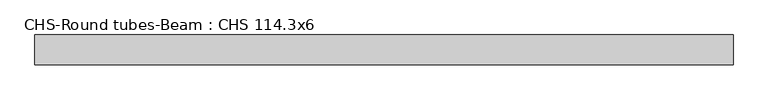
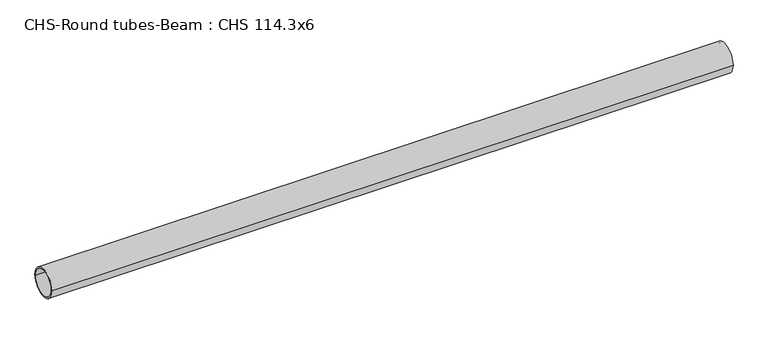
"""IFC4 building model written with IfcOpenShell, lengths in millimetres: beam geometry, CHS-Round tubes-Beam : CHS 114.3x6."""

from ifc_helpers import new_model, si_unit, point, frame, origin, origin_2d, place, context, project, spatial, circle_curve, trimmed, segment, composite_curve, outline, extrude, source, transform, mapped, element, save


def chs_round_tubes_beam_chs_114_3x6_27a4338d(model_context):
    return source(origin(), model_context, "Body", "SweptSolid", [
        extrude(outline(composite_curve([segment(trimmed(circle_curve(origin_2d(), 57.15), [point((57.15, 0.0))], [point((-57.15, 0.0))], False, "CARTESIAN"), True, "CONTINUOUS"), segment(trimmed(circle_curve(origin_2d(), 57.15), [point((-57.15, 0.0))], [point((57.15, 0.0))], False, "CARTESIAN"), True, "CONTINUOUS")], self_intersect=False), holes=[composite_curve([segment(trimmed(circle_curve(origin_2d(), 51.15), [point((51.15, 0.0))], [point((-51.15, 0.0))], True, "CARTESIAN"), True, "CONTINUOUS"), segment(trimmed(circle_curve(origin_2d(), 51.15), [point((-51.15, 0.0))], [point((51.15, 0.0))], True, "CARTESIAN"), True, "CONTINUOUS")], self_intersect=False)]), frame((-1328.9492178, 0.0, 0.0), z_axis=(1.0, 0.0, 0.0), x_axis=(0.0, 1.0, 0.0)), (0.0, 0.0, 1.0), 2683.7022243),
    ])


if __name__ == "__main__":
    model = new_model("IFC4")
    model_context = context("Model", 3, world=origin())
    ifc_project = project(units=[si_unit("LENGTHUNIT", "METRE", prefix="MILLI")], contexts=[model_context])
    site = spatial("IfcSite", under=ifc_project)
    building = spatial("IfcBuilding", under=site)
    placement = place(None, origin())
    chs_round_tubes_beam_chs_114_3x6_shape = chs_round_tubes_beam_chs_114_3x6_27a4338d(model_context)
    element("IfcBeam", 1, ObjectType="CHS-Round tubes-Beam : CHS 114.3x6", at=placement, inside=building, context=model_context, shape_type="MappedRepresentation", body=[
        mapped(chs_round_tubes_beam_chs_114_3x6_shape, transform((0.0, 0.0, 0.0), x_axis=(1.0, 0.0, 0.0), y_axis=(0.0, 1.0, 0.0), z_axis=(0.0, 0.0, 1.0))),
    ])
    save(model, "model.ifc")
